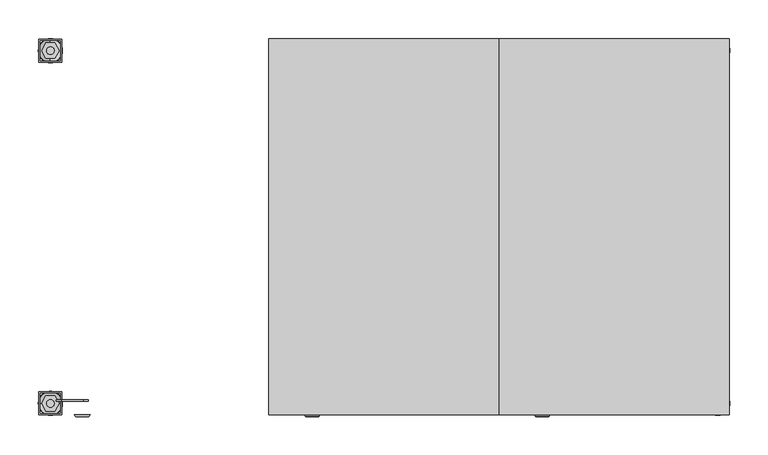
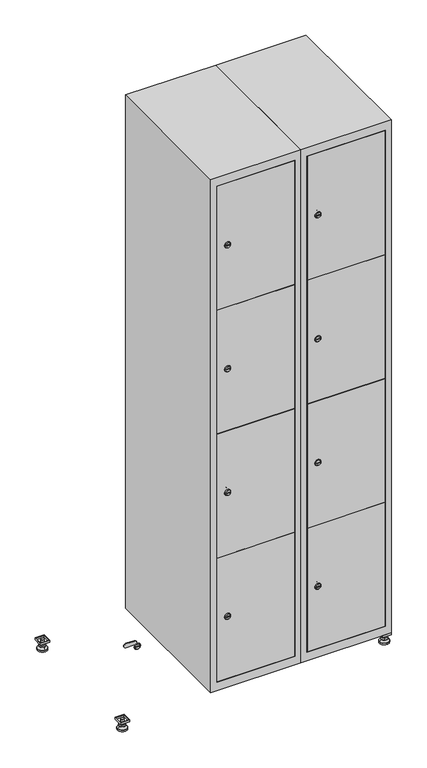
"""IFC4 building model written with IfcOpenShell, lengths in millimetres: furniture geometry."""

from ifc_helpers import new_model, si_unit, point, frame, frame_2d, origin, origin_with_axes, place, context, project, spatial, polyline, circle_curve, trimmed, segment, composite_curve, outline, extrude, faceted_brep, source, transform, mapped, element, save
from ifc_brep_helpers import plane_surface, revolved_surface, advanced_brep


def furniture_1b712670(model_context):
    return source(origin(), model_context, "Body", "SolidModel", [
        extrude(outline(polyline([(700.0, 245.0), (700.0, 215.0), (670.0, 215.0), (670.0, 245.0), (700.0, 245.0)]), holes=[polyline([(698.0, 243.0), (672.0, 243.0), (672.0, 217.0), (698.0, 217.0), (698.0, 243.0)])]), frame((0.0, 0.0, 28.5), z_axis=(0.0, 0.0, 1.0), x_axis=(1.0, 0.0, 0.0)), (0.0, 0.0, 1.0), 6.5),
        extrude(outline(polyline([(670.0, -245.0), (670.0, -215.0), (700.0, -215.0), (700.0, -245.0), (670.0, -245.0)]), holes=[polyline([(672.0, -243.0), (698.0, -243.0), (698.0, -217.0), (672.0, -217.0), (672.0, -243.0)])]), frame((0.0, 0.0, 28.5), z_axis=(0.0, 0.0, 1.0), x_axis=(1.0, 0.0, 0.0)), (0.0, 0.0, 1.0), 6.5),
        extrude(outline(polyline([(-170.0, 245.0), (-170.0, 215.0), (-200.0, 215.0), (-200.0, 245.0), (-170.0, 245.0)]), holes=[polyline([(-172.0, 243.0), (-198.0, 243.0), (-198.0, 217.0), (-172.0, 217.0), (-172.0, 243.0)])]), frame((0.0, 0.0, 28.5), z_axis=(0.0, 0.0, 1.0), x_axis=(1.0, 0.0, 0.0)), (0.0, 0.0, 1.0), 6.5),
        extrude(outline(polyline([(-170.0, -215.0), (-170.0, -245.0), (-200.0, -245.0), (-200.0, -215.0), (-170.0, -215.0)]), holes=[polyline([(-198.0, -243.0), (-172.0, -243.0), (-172.0, -217.0), (-198.0, -217.0), (-198.0, -243.0)])]), frame((0.0, 0.0, 28.5), z_axis=(0.0, 0.0, 1.0), x_axis=(1.0, 0.0, 0.0)), (0.0, 0.0, 1.0), 6.5),
        extrude(outline(composite_curve([segment(trimmed(circle_curve(frame_2d((-185.0, 230.0)), 5.0), [point((-180.0, 230.0))], [point((-190.0, 230.0))], False, "CARTESIAN"), True, "CONTINUOUS"), segment(trimmed(circle_curve(frame_2d((-185.0, 230.0)), 5.0), [point((-190.0, 230.0))], [point((-180.0, 230.0))], False, "CARTESIAN"), True, "CONTINUOUS")], self_intersect=False)), frame((0.0, 0.0, 19.6), z_axis=(0.0, 0.0, 1.0), x_axis=(1.0, 0.0, 0.0)), (0.0, 0.0, 1.0), 15.4),
        extrude(outline(composite_curve([segment(trimmed(circle_curve(frame_2d((-185.0, -230.0)), 5.0), [point((-180.0, -230.0))], [point((-190.0, -230.0))], False, "CARTESIAN"), True, "CONTINUOUS"), segment(trimmed(circle_curve(frame_2d((-185.0, -230.0)), 5.0), [point((-190.0, -230.0))], [point((-180.0, -230.0))], False, "CARTESIAN"), True, "CONTINUOUS")], self_intersect=False)), frame((0.0, 0.0, 19.6), z_axis=(0.0, 0.0, 1.0), x_axis=(1.0, 0.0, 0.0)), (0.0, 0.0, 1.0), 15.4),
        extrude(outline(composite_curve([segment(trimmed(circle_curve(frame_2d((685.0, 230.0)), 5.0), [point((690.0, 230.0))], [point((680.0, 230.0))], False, "CARTESIAN"), True, "CONTINUOUS"), segment(trimmed(circle_curve(frame_2d((685.0, 230.0)), 5.0), [point((680.0, 230.0))], [point((690.0, 230.0))], False, "CARTESIAN"), True, "CONTINUOUS")], self_intersect=False)), frame((0.0, 0.0, 19.6), z_axis=(0.0, 0.0, 1.0), x_axis=(1.0, 0.0, 0.0)), (0.0, 0.0, 1.0), 15.4),
        extrude(outline(polyline([(673.4529946, 230.0), (679.2264973, 240.0), (690.7735027, 240.0), (696.5470054, 230.0), (690.7735027, 220.0), (679.2264973, 220.0), (673.4529946, 230.0)])), frame((0.0, 0.0, 13.6), z_axis=(0.0, 0.0, 1.0), x_axis=(1.0, 0.0, 0.0)), (0.0, 0.0, 1.0), 6.0),
        extrude(outline(composite_curve([segment(trimmed(circle_curve(frame_2d((685.0, -230.0)), 5.0), [point((690.0, -230.0))], [point((680.0, -230.0))], False, "CARTESIAN"), True, "CONTINUOUS"), segment(trimmed(circle_curve(frame_2d((685.0, -230.0)), 5.0), [point((680.0, -230.0))], [point((690.0, -230.0))], False, "CARTESIAN"), True, "CONTINUOUS")], self_intersect=False)), frame((0.0, 0.0, 19.6), z_axis=(0.0, 0.0, 1.0), x_axis=(1.0, 0.0, 0.0)), (0.0, 0.0, 1.0), 15.4),
        extrude(outline(polyline([(673.4529946, -230.0), (679.2264973, -220.0), (690.7735027, -220.0), (696.5470054, -230.0), (690.7735027, -240.0), (679.2264973, -240.0), (673.4529946, -230.0)])), frame((0.0, 0.0, 13.6), z_axis=(0.0, 0.0, 1.0), x_axis=(1.0, 0.0, 0.0)), (0.0, 0.0, 1.0), 6.0),
        extrude(outline(composite_curve([segment(trimmed(circle_curve(frame_2d((685.0, 230.0)), 5.0), [point((690.0, 230.0))], [point((680.0, 230.0))], False, "CARTESIAN"), True, "CONTINUOUS"), segment(trimmed(circle_curve(frame_2d((685.0, 230.0)), 5.0), [point((680.0, 230.0))], [point((690.0, 230.0))], False, "CARTESIAN"), True, "CONTINUOUS")], self_intersect=False)), frame((0.0, 0.0, 12.1), z_axis=(0.0, 0.0, 1.0), x_axis=(1.0, 0.0, 0.0)), (0.0, 0.0, 1.0), 1.5),
        extrude(outline(composite_curve([segment(trimmed(circle_curve(frame_2d((685.0, -230.0)), 5.0), [point((690.0, -230.0))], [point((680.0, -230.0))], False, "CARTESIAN"), True, "CONTINUOUS"), segment(trimmed(circle_curve(frame_2d((685.0, -230.0)), 5.0), [point((680.0, -230.0))], [point((690.0, -230.0))], False, "CARTESIAN"), True, "CONTINUOUS")], self_intersect=False)), frame((0.0, 0.0, 12.1), z_axis=(0.0, 0.0, 1.0), x_axis=(1.0, 0.0, 0.0)), (0.0, 0.0, 1.0), 1.5),
        extrude(outline(polyline([(-196.5470054, 230.0), (-190.7735027, 240.0), (-179.2264973, 240.0), (-173.4529946, 230.0), (-179.2264973, 220.0), (-190.7735027, 220.0), (-196.5470054, 230.0)])), frame((0.0, 0.0, 13.6), z_axis=(0.0, 0.0, 1.0), x_axis=(1.0, 0.0, 0.0)), (0.0, 0.0, 1.0), 6.0),
        extrude(outline(polyline([(-196.5470054, -230.0), (-190.7735027, -220.0), (-179.2264973, -220.0), (-173.4529946, -230.0), (-179.2264973, -240.0), (-190.7735027, -240.0), (-196.5470054, -230.0)])), frame((0.0, 0.0, 13.6), z_axis=(0.0, 0.0, 1.0), x_axis=(1.0, 0.0, 0.0)), (0.0, 0.0, 1.0), 6.0),
        extrude(outline(composite_curve([segment(trimmed(circle_curve(frame_2d((-185.0, 230.0)), 5.0), [point((-185.0, 235.0))], [point((-185.0, 225.0))], False, "CARTESIAN"), True, "CONTINUOUS"), segment(trimmed(circle_curve(frame_2d((-185.0, 230.0)), 5.0), [point((-185.0, 225.0))], [point((-185.0, 235.0))], False, "CARTESIAN"), True, "CONTINUOUS")], self_intersect=False)), frame((0.0, 0.0, 12.1), z_axis=(0.0, 0.0, 1.0), x_axis=(1.0, 0.0, 0.0)), (0.0, 0.0, 1.0), 1.5),
        extrude(outline(composite_curve([segment(trimmed(circle_curve(frame_2d((-185.0, -230.0)), 5.0), [point((-180.0, -230.0))], [point((-190.0, -230.0))], False, "CARTESIAN"), True, "CONTINUOUS"), segment(trimmed(circle_curve(frame_2d((-185.0, -230.0)), 5.0), [point((-190.0, -230.0))], [point((-180.0, -230.0))], False, "CARTESIAN"), True, "CONTINUOUS")], self_intersect=False)), frame((0.0, 0.0, 12.1), z_axis=(0.0, 0.0, 1.0), x_axis=(1.0, 0.0, 0.0)), (0.0, 0.0, 1.0), 1.5),
        extrude(outline(composite_curve([segment(trimmed(circle_curve(frame_2d((685.0, 230.0)), 15.75), [point((700.75, 230.0))], [point((669.25, 230.0))], False, "CARTESIAN"), True, "CONTINUOUS"), segment(trimmed(circle_curve(frame_2d((685.0, 230.0)), 15.75), [point((669.25, 230.0))], [point((700.75, 230.0))], False, "CARTESIAN"), True, "CONTINUOUS")], self_intersect=False)), origin_with_axes(), (0.0, 0.0, 1.0), 5.1),
        extrude(outline(composite_curve([segment(trimmed(circle_curve(frame_2d((685.0, -230.0)), 15.75), [point((685.0, -214.25))], [point((685.0, -245.75))], False, "CARTESIAN"), True, "CONTINUOUS"), segment(trimmed(circle_curve(frame_2d((685.0, -230.0)), 15.75), [point((685.0, -245.75))], [point((685.0, -214.25))], False, "CARTESIAN"), True, "CONTINUOUS")], self_intersect=False)), origin_with_axes(), (0.0, 0.0, 1.0), 5.1),
        extrude(outline(composite_curve([segment(trimmed(circle_curve(frame_2d((-185.0, -230.0)), 15.75), [point((-169.25, -230.0))], [point((-200.75, -230.0))], False, "CARTESIAN"), True, "CONTINUOUS"), segment(trimmed(circle_curve(frame_2d((-185.0, -230.0)), 15.75), [point((-200.75, -230.0))], [point((-169.25, -230.0))], False, "CARTESIAN"), True, "CONTINUOUS")], self_intersect=False)), origin_with_axes(), (0.0, 0.0, 1.0), 5.1),
        extrude(outline(composite_curve([segment(trimmed(circle_curve(frame_2d((-185.0, 230.0)), 15.75), [point((-169.25, 230.0))], [point((-200.75, 230.0))], False, "CARTESIAN"), True, "CONTINUOUS"), segment(trimmed(circle_curve(frame_2d((-185.0, 230.0)), 15.75), [point((-200.75, 230.0))], [point((-169.25, 230.0))], False, "CARTESIAN"), True, "CONTINUOUS")], self_intersect=False)), origin_with_axes(), (0.0, 0.0, 1.0), 5.1),
        advanced_brep(
        [(-185.0, 245.75, 5.1), (-185.0, 214.25, 5.1), (-185.0, 239.5, 12.1), (-185.0, 220.5, 12.1)],
        [
            (0, 1, circle_curve(frame((-185.0, 230.0, 5.1), z_axis=(0.0, 0.0, -1.0), x_axis=(0.0, 1.0, 0.0)), 15.75)),
            (1, 0, circle_curve(frame((-185.0, 230.0, 5.1), z_axis=(0.0, 0.0, -1.0), x_axis=(0.0, -1.0, 0.0)), 15.75)),
            (2, 3, circle_curve(frame((-185.0, 230.0, 12.1), z_axis=(0.0, 0.0, 1.0), x_axis=(0.0, -1.0, 0.0)), 9.5)),
            (3, 2, circle_curve(frame((-185.0, 230.0, 12.1), z_axis=(0.0, 0.0, 1.0), x_axis=(0.0, 1.0, 0.0)), 9.5)),
            (3, 1),
            (0, 2),
        ],
        [
            plane_surface(frame((-185.0, 230.0, 5.1), z_axis=(0.0, 0.0, -1.0), x_axis=(1.0, 0.0, 0.0))),
            plane_surface(frame((-185.0, 230.0, 12.1), z_axis=(0.0, 0.0, 1.0), x_axis=(1.0, 0.0, 0.0))),
            revolved_surface(polyline([(-185.0, 220.5, 12.099999999999998), (-185.0, 214.25, 5.099999999999998)]), (-185.0, 230.0, 22.74), (0.0, 0.0, -1.0)),
            revolved_surface(polyline([(-185.0, 239.5, 12.099999999999998), (-185.0, 245.75, 5.099999999999998)]), (-185.0, 230.0, 22.74), (0.0, 0.0, -1.0)),
        ],
        [
            (0, [[1, 2]]),
            (1, [[3, 4]]),
            (2, [[-4, 5, -1, 6]]),
            (3, [[-3, -6, -2, -5]]),
        ],
    ),
        advanced_brep(
        [(685.0, 245.75, 5.1), (685.0, 214.25, 5.1), (685.0, 239.5, 12.1), (685.0, 220.5, 12.1)],
        [
            (0, 1, circle_curve(frame((685.0, 230.0, 5.1), z_axis=(0.0, 0.0, -1.0), x_axis=(0.0, 1.0, 0.0)), 15.75)),
            (1, 0, circle_curve(frame((685.0, 230.0, 5.1), z_axis=(0.0, 0.0, -1.0), x_axis=(0.0, -1.0, 0.0)), 15.75)),
            (2, 3, circle_curve(frame((685.0, 230.0, 12.1), z_axis=(0.0, 0.0, 1.0), x_axis=(0.0, -1.0, 0.0)), 9.5)),
            (3, 2, circle_curve(frame((685.0, 230.0, 12.1), z_axis=(0.0, 0.0, 1.0), x_axis=(0.0, 1.0, 0.0)), 9.5)),
            (3, 1),
            (0, 2),
        ],
        [
            plane_surface(frame((685.0, 230.0, 5.1), z_axis=(0.0, 0.0, -1.0), x_axis=(1.0, 0.0, 0.0))),
            plane_surface(frame((685.0, 230.0, 12.1), z_axis=(0.0, 0.0, 1.0), x_axis=(1.0, 0.0, 0.0))),
            revolved_surface(polyline([(685.0, 220.5, 12.099999999999998), (685.0, 214.25, 5.099999999999998)]), (685.0, 230.0, 22.74), (0.0, 0.0, -1.0)),
            revolved_surface(polyline([(685.0, 239.5, 12.099999999999998), (685.0, 245.75, 5.099999999999998)]), (685.0, 230.0, 22.74), (0.0, 0.0, -1.0)),
        ],
        [
            (0, [[1, 2]]),
            (1, [[3, 4]]),
            (2, [[-4, 5, -1, 6]]),
            (3, [[-3, -6, -2, -5]]),
        ],
    ),
        advanced_brep(
        [(694.5, -230.0, 12.1), (675.5, -230.0, 12.1), (700.75, -230.0, 5.1), (669.25, -230.0, 5.1)],
        [
            (0, 1, circle_curve(frame((685.0, -230.0, 12.1), z_axis=(0.0, 0.0, 1.0), x_axis=(1.0, 0.0, 0.0)), 9.5)),
            (1, 0, circle_curve(frame((685.0, -230.0, 12.1), z_axis=(0.0, 0.0, 1.0), x_axis=(-1.0, 0.0, 0.0)), 9.5)),
            (2, 3, circle_curve(frame((685.0, -230.0, 5.1), z_axis=(0.0, 0.0, -1.0), x_axis=(-1.0, 0.0, 0.0)), 15.75)),
            (3, 2, circle_curve(frame((685.0, -230.0, 5.1), z_axis=(0.0, 0.0, -1.0), x_axis=(1.0, 0.0, 0.0)), 15.75)),
            (3, 1),
            (0, 2),
        ],
        [
            plane_surface(frame((685.0, -230.0, 12.1), z_axis=(0.0, 0.0, 1.0), x_axis=(0.0, 1.0, 0.0))),
            plane_surface(frame((685.0, -230.0, 5.1), z_axis=(0.0, 0.0, -1.0), x_axis=(0.0, 1.0, 0.0))),
            revolved_surface(polyline([(694.5, -230.0, 12.099999999999998), (700.75, -230.0, 5.099999999999998)]), (685.0, -230.0, 22.74), (0.0, 0.0, -1.0)),
            revolved_surface(polyline([(675.5, -230.0, 12.099999999999998), (669.25, -230.0, 5.099999999999998)]), (685.0, -230.0, 22.74), (0.0, 0.0, -1.0)),
        ],
        [
            (0, [[1, 2]]),
            (1, [[3, 4]]),
            (2, [[-4, 5, -1, 6]]),
            (3, [[-3, -6, -2, -5]]),
        ],
    ),
        advanced_brep(
        [(-175.5, -230.0, 12.1), (-194.5, -230.0, 12.1), (-169.25, -230.0, 5.1), (-200.75, -230.0, 5.1)],
        [
            (0, 1, circle_curve(frame((-185.0, -230.0, 12.1), z_axis=(0.0, 0.0, 1.0), x_axis=(1.0, 0.0, 0.0)), 9.5)),
            (1, 0, circle_curve(frame((-185.0, -230.0, 12.1), z_axis=(0.0, 0.0, 1.0), x_axis=(-1.0, 0.0, 0.0)), 9.5)),
            (2, 3, circle_curve(frame((-185.0, -230.0, 5.1), z_axis=(0.0, 0.0, -1.0), x_axis=(-1.0, 0.0, 0.0)), 15.75)),
            (3, 2, circle_curve(frame((-185.0, -230.0, 5.1), z_axis=(0.0, 0.0, -1.0), x_axis=(1.0, 0.0, 0.0)), 15.75)),
            (3, 1),
            (0, 2),
        ],
        [
            plane_surface(frame((-185.0, -230.0, 12.1), z_axis=(0.0, 0.0, 1.0), x_axis=(0.0, 1.0, 0.0))),
            plane_surface(frame((-185.0, -230.0, 5.1), z_axis=(0.0, 0.0, -1.0), x_axis=(0.0, 1.0, 0.0))),
            revolved_surface(polyline([(-175.5, -230.0, 12.099999999999998), (-169.25, -230.0, 5.099999999999998)]), (-185.0, -230.0, 22.74), (0.0, 0.0, -1.0)),
            revolved_surface(polyline([(-194.5, -230.0, 12.099999999999998), (-200.75, -230.0, 5.099999999999998)]), (-185.0, -230.0, 22.74), (0.0, 0.0, -1.0)),
        ],
        [
            (0, [[1, 2]]),
            (1, [[3, 4]]),
            (2, [[-4, 5, -1, 6]]),
            (3, [[-3, -6, -2, -5]]),
        ],
    ),
        extrude(outline(composite_curve([segment(trimmed(circle_curve(frame_2d((283.4, 429.6010534)), 7.0), [point((290.4, 429.6010534))], [point((276.4, 429.6010534))], False, "CARTESIAN"), True, "CONTINUOUS"), segment(polyline([(276.4, 429.6010534), (276.4, 457.6010534)]), True, "CONTINUOUS"), segment(trimmed(circle_curve(frame_2d((283.4, 457.6010534)), 7.0), [point((276.4, 457.6010534))], [point((290.4, 457.6010534))], False, "CARTESIAN"), True, "CONTINUOUS"), segment(polyline([(290.4, 457.6010534), (290.4, 429.6010534)]), True, "CONTINUOUS")], self_intersect=False)), frame((0.0, -227.0, 0.0), z_axis=(0.0, 1.0, 0.0), x_axis=(0.0, 0.0, 1.0)), (0.0, 0.0, 1.0), 2.0),
        advanced_brep(
        [(464.9, -247.2, 283.4), (447.9, -247.2, 283.4), (451.4, -247.2, 282.15), (451.4, -247.2, 284.65), (461.4, -247.2, 284.65), (461.4, -247.2, 282.15), (466.9, -245.0, 283.4), (445.9, -245.0, 283.4), (451.4, -245.0, 284.65), (451.4, -245.0, 282.15), (461.4, -245.0, 282.15), (461.4, -245.0, 284.65)],
        [
            (0, 1, circle_curve(frame((456.4, -247.2, 283.4), z_axis=(0.0, -1.0, 0.0), x_axis=(1.0, 0.0, 0.0)), 8.5)),
            (1, 0, circle_curve(frame((456.4, -247.2, 283.4), z_axis=(0.0, -1.0, 0.0), x_axis=(-1.0, 0.0, 0.0)), 8.5)),
            (2, 3),
            (3, 4),
            (4, 5),
            (5, 2),
            (6, 7, circle_curve(frame((456.4, -245.0, 283.4), z_axis=(0.0, 1.0, 0.0), x_axis=(-1.0, 0.0, 0.0)), 10.5)),
            (7, 6, circle_curve(frame((456.4, -245.0, 283.4), z_axis=(0.0, 1.0, 0.0), x_axis=(1.0, 0.0, 0.0)), 10.5)),
            (8, 9),
            (9, 10),
            (10, 11),
            (11, 8),
            (0, 6),
            (7, 1),
            (8, 3),
            (2, 9),
            (11, 4),
            (10, 5),
        ],
        [
            plane_surface(frame((456.4, -247.2, 283.4), z_axis=(0.0, -1.0, 0.0), x_axis=(0.0, 0.0, 1.0))),
            plane_surface(frame((456.4, -245.0, 283.4), z_axis=(0.0, 1.0, 0.0), x_axis=(0.0, 0.0, 1.0))),
            revolved_surface(polyline([(464.9, -247.2, 283.4), (466.9, -245.0, 283.4)]), (456.4, -256.55, 283.4), (0.0, 1.0, 0.0)),
            revolved_surface(polyline([(447.9, -247.2, 283.4), (445.9, -245.0, 283.4)]), (456.4, -256.55, 283.4), (0.0, 1.0, 0.0)),
            plane_surface(frame((451.4, -245.0, 282.15), z_axis=(1.0, 0.0, 0.0), x_axis=(0.0, -1.0, 0.0))),
            plane_surface(frame((451.4, -245.0, 284.65), z_axis=(0.0, 0.0, -1.0), x_axis=(0.0, -1.0, 0.0))),
            plane_surface(frame((461.4, -245.0, 284.65), z_axis=(-1.0, 0.0, 0.0), x_axis=(0.0, -1.0, 0.0))),
            plane_surface(frame((461.4, -245.0, 282.15), z_axis=(0.0, 0.0, 1.0), x_axis=(0.0, -1.0, 0.0))),
        ],
        [
            (0, [[1, 2], [3, 4, 5, 6]]),
            (1, [[7, 8], [9, 10, 11, 12]]),
            (2, [[-1, 13, -8, 14]]),
            (3, [[-2, -14, -7, -13]]),
            (4, [[15, -3, 16, -9]]),
            (5, [[-15, -12, 17, -4]]),
            (6, [[-17, -11, 18, -5]]),
            (7, [[-16, -6, -18, -10]]),
        ],
    ),
        extrude(outline(composite_curve([segment(trimmed(circle_curve(frame_2d((717.8, 429.6010534)), 7.0), [point((724.8, 429.6010534))], [point((710.8, 429.6010534))], False, "CARTESIAN"), True, "CONTINUOUS"), segment(polyline([(710.8, 429.6010534), (710.8, 457.6010534)]), True, "CONTINUOUS"), segment(trimmed(circle_curve(frame_2d((717.8, 457.6010534)), 7.0), [point((710.8, 457.6010534))], [point((724.8, 457.6010534))], False, "CARTESIAN"), True, "CONTINUOUS"), segment(polyline([(724.8, 457.6010534), (724.8, 429.6010534)]), True, "CONTINUOUS")], self_intersect=False)), frame((0.0, -227.0, 0.0), z_axis=(0.0, 1.0, 0.0), x_axis=(0.0, 0.0, 1.0)), (0.0, 0.0, 1.0), 2.0),
        advanced_brep(
        [(464.9, -247.2, 717.8), (447.9, -247.2, 717.8), (451.4, -247.2, 716.55), (451.4, -247.2, 719.05), (461.4, -247.2, 719.05), (461.4, -247.2, 716.55), (466.9, -245.0, 717.8), (445.9, -245.0, 717.8), (451.4, -245.0, 719.05), (451.4, -245.0, 716.55), (461.4, -245.0, 716.55), (461.4, -245.0, 719.05)],
        [
            (0, 1, circle_curve(frame((456.4, -247.2, 717.8), z_axis=(0.0, -1.0, 0.0), x_axis=(1.0, 0.0, 0.0)), 8.5)),
            (1, 0, circle_curve(frame((456.4, -247.2, 717.8), z_axis=(0.0, -1.0, 0.0), x_axis=(-1.0, 0.0, 0.0)), 8.5)),
            (2, 3),
            (3, 4),
            (4, 5),
            (5, 2),
            (6, 7, circle_curve(frame((456.4, -245.0, 717.8), z_axis=(0.0, 1.0, 0.0), x_axis=(-1.0, 0.0, 0.0)), 10.5)),
            (7, 6, circle_curve(frame((456.4, -245.0, 717.8), z_axis=(0.0, 1.0, 0.0), x_axis=(1.0, 0.0, 0.0)), 10.5)),
            (8, 9),
            (9, 10),
            (10, 11),
            (11, 8),
            (0, 6),
            (7, 1),
            (8, 3),
            (2, 9),
            (11, 4),
            (10, 5),
        ],
        [
            plane_surface(frame((456.4, -247.2, 717.8), z_axis=(0.0, -1.0, 0.0), x_axis=(0.0, 0.0, 1.0))),
            plane_surface(frame((456.4, -245.0, 717.8), z_axis=(0.0, 1.0, 0.0), x_axis=(0.0, 0.0, 1.0))),
            revolved_surface(polyline([(464.9, -247.2, 717.8), (466.9, -245.0, 717.8)]), (456.4, -256.55, 717.8), (0.0, 1.0, 0.0)),
            revolved_surface(polyline([(447.9, -247.2, 717.8), (445.9, -245.0, 717.8)]), (456.4, -256.55, 717.8), (0.0, 1.0, 0.0)),
            plane_surface(frame((451.4, -245.0, 716.55), z_axis=(1.0, 0.0, 0.0), x_axis=(0.0, -1.0, 0.0))),
            plane_surface(frame((451.4, -245.0, 719.05), z_axis=(0.0, 0.0, -1.0), x_axis=(0.0, -1.0, 0.0))),
            plane_surface(frame((461.4, -245.0, 719.05), z_axis=(-1.0, 0.0, 0.0), x_axis=(0.0, -1.0, 0.0))),
            plane_surface(frame((461.4, -245.0, 716.55), z_axis=(0.0, 0.0, 1.0), x_axis=(0.0, -1.0, 0.0))),
        ],
        [
            (0, [[1, 2], [3, 4, 5, 6]]),
            (1, [[7, 8], [9, 10, 11, 12]]),
            (2, [[-1, 13, -8, 14]]),
            (3, [[-2, -14, -7, -13]]),
            (4, [[15, -3, 16, -9]]),
            (5, [[-15, -12, 17, -4]]),
            (6, [[-17, -11, 18, -5]]),
            (7, [[-16, -6, -18, -10]]),
        ],
    ),
        extrude(outline(composite_curve([segment(trimmed(circle_curve(frame_2d((1152.2, 429.6010534)), 7.0), [point((1159.2, 429.6010534))], [point((1145.2, 429.6010534))], False, "CARTESIAN"), True, "CONTINUOUS"), segment(polyline([(1145.2, 429.6010534), (1145.2, 457.6010534)]), True, "CONTINUOUS"), segment(trimmed(circle_curve(frame_2d((1152.2, 457.6010534)), 7.0), [point((1145.2, 457.6010534))], [point((1159.2, 457.6010534))], False, "CARTESIAN"), True, "CONTINUOUS"), segment(polyline([(1159.2, 457.6010534), (1159.2, 429.6010534)]), True, "CONTINUOUS")], self_intersect=False)), frame((0.0, -227.0, 0.0), z_axis=(0.0, 1.0, 0.0), x_axis=(0.0, 0.0, 1.0)), (0.0, 0.0, 1.0), 2.0),
        advanced_brep(
        [(464.9, -247.2, 1152.2), (447.9, -247.2, 1152.2), (451.4, -247.2, 1150.95), (451.4, -247.2, 1153.45), (461.4, -247.2, 1153.45), (461.4, -247.2, 1150.95), (466.9, -245.0, 1152.2), (445.9, -245.0, 1152.2), (451.4, -245.0, 1153.45), (451.4, -245.0, 1150.95), (461.4, -245.0, 1150.95), (461.4, -245.0, 1153.45)],
        [
            (0, 1, circle_curve(frame((456.4, -247.2, 1152.2), z_axis=(0.0, -1.0, 0.0), x_axis=(1.0, 0.0, 0.0)), 8.5)),
            (1, 0, circle_curve(frame((456.4, -247.2, 1152.2), z_axis=(0.0, -1.0, 0.0), x_axis=(-1.0, 0.0, 0.0)), 8.5)),
            (2, 3),
            (3, 4),
            (4, 5),
            (5, 2),
            (6, 7, circle_curve(frame((456.4, -245.0, 1152.2), z_axis=(0.0, 1.0, 0.0), x_axis=(-1.0, 0.0, 0.0)), 10.5)),
            (7, 6, circle_curve(frame((456.4, -245.0, 1152.2), z_axis=(0.0, 1.0, 0.0), x_axis=(1.0, 0.0, 0.0)), 10.5)),
            (8, 9),
            (9, 10),
            (10, 11),
            (11, 8),
            (0, 6),
            (7, 1),
            (8, 3),
            (2, 9),
            (11, 4),
            (10, 5),
        ],
        [
            plane_surface(frame((456.4, -247.2, 1152.2), z_axis=(0.0, -1.0, 0.0), x_axis=(0.0, 0.0, 1.0))),
            plane_surface(frame((456.4, -245.0, 1152.2), z_axis=(0.0, 1.0, 0.0), x_axis=(0.0, 0.0, 1.0))),
            revolved_surface(polyline([(464.9, -247.2, 1152.2), (466.9, -245.0, 1152.2)]), (456.4, -256.55, 1152.2), (0.0, 1.0, 0.0)),
            revolved_surface(polyline([(447.9, -247.2, 1152.2), (445.9, -245.0, 1152.2)]), (456.4, -256.55, 1152.2), (0.0, 1.0, 0.0)),
            plane_surface(frame((451.4, -245.0, 1150.95), z_axis=(1.0, 0.0, 0.0), x_axis=(0.0, -1.0, 0.0))),
            plane_surface(frame((451.4, -245.0, 1153.45), z_axis=(0.0, 0.0, -1.0), x_axis=(0.0, -1.0, 0.0))),
            plane_surface(frame((461.4, -245.0, 1153.45), z_axis=(-1.0, 0.0, 0.0), x_axis=(0.0, -1.0, 0.0))),
            plane_surface(frame((461.4, -245.0, 1150.95), z_axis=(0.0, 0.0, 1.0), x_axis=(0.0, -1.0, 0.0))),
        ],
        [
            (0, [[1, 2], [3, 4, 5, 6]]),
            (1, [[7, 8], [9, 10, 11, 12]]),
            (2, [[-1, 13, -8, 14]]),
            (3, [[-2, -14, -7, -13]]),
            (4, [[15, -3, 16, -9]]),
            (5, [[-15, -12, 17, -4]]),
            (6, [[-17, -11, 18, -5]]),
            (7, [[-16, -6, -18, -10]]),
        ],
    ),
        extrude(outline(composite_curve([segment(trimmed(circle_curve(frame_2d((1586.6, 429.6010534)), 7.0), [point((1593.6, 429.6010534))], [point((1579.6, 429.6010534))], False, "CARTESIAN"), True, "CONTINUOUS"), segment(polyline([(1579.6, 429.6010534), (1579.6, 457.6010534)]), True, "CONTINUOUS"), segment(trimmed(circle_curve(frame_2d((1586.6, 457.6010534)), 7.0), [point((1579.6, 457.6010534))], [point((1593.6, 457.6010534))], False, "CARTESIAN"), True, "CONTINUOUS"), segment(polyline([(1593.6, 457.6010534), (1593.6, 429.6010534)]), True, "CONTINUOUS")], self_intersect=False)), frame((0.0, -227.0, 0.0), z_axis=(0.0, 1.0, 0.0), x_axis=(0.0, 0.0, 1.0)), (0.0, 0.0, 1.0), 2.0),
        advanced_brep(
        [(464.9, -247.2, 1586.6), (447.9, -247.2, 1586.6), (451.4, -247.2, 1585.35), (451.4, -247.2, 1587.85), (461.4, -247.2, 1587.85), (461.4, -247.2, 1585.35), (466.9, -245.0, 1586.6), (445.9, -245.0, 1586.6), (451.4, -245.0, 1587.85), (451.4, -245.0, 1585.35), (461.4, -245.0, 1585.35), (461.4, -245.0, 1587.85)],
        [
            (0, 1, circle_curve(frame((456.4, -247.2, 1586.6), z_axis=(0.0, -1.0, 0.0), x_axis=(1.0, 0.0, 0.0)), 8.5)),
            (1, 0, circle_curve(frame((456.4, -247.2, 1586.6), z_axis=(0.0, -1.0, 0.0), x_axis=(-1.0, 0.0, 0.0)), 8.5)),
            (2, 3),
            (3, 4),
            (4, 5),
            (5, 2),
            (6, 7, circle_curve(frame((456.4, -245.0, 1586.6), z_axis=(0.0, 1.0, 0.0), x_axis=(-1.0, 0.0, 0.0)), 10.5)),
            (7, 6, circle_curve(frame((456.4, -245.0, 1586.6), z_axis=(0.0, 1.0, 0.0), x_axis=(1.0, 0.0, 0.0)), 10.5)),
            (8, 9),
            (9, 10),
            (10, 11),
            (11, 8),
            (0, 6),
            (7, 1),
            (8, 3),
            (2, 9),
            (11, 4),
            (10, 5),
        ],
        [
            plane_surface(frame((456.4, -247.2, 1586.6), z_axis=(0.0, -1.0, 0.0), x_axis=(0.0, 0.0, 1.0))),
            plane_surface(frame((456.4, -245.0, 1586.6), z_axis=(0.0, 1.0, 0.0), x_axis=(0.0, 0.0, 1.0))),
            revolved_surface(polyline([(464.9, -247.2, 1586.6), (466.9, -245.0, 1586.6)]), (456.4, -256.55, 1586.6), (0.0, 1.0, 0.0)),
            revolved_surface(polyline([(447.9, -247.2, 1586.6), (445.9, -245.0, 1586.6)]), (456.4, -256.55, 1586.6), (0.0, 1.0, 0.0)),
            plane_surface(frame((451.4, -245.0, 1585.35), z_axis=(1.0, 0.0, 0.0), x_axis=(0.0, -1.0, 0.0))),
            plane_surface(frame((451.4, -245.0, 1587.85), z_axis=(0.0, 0.0, -1.0), x_axis=(0.0, -1.0, 0.0))),
            plane_surface(frame((461.4, -245.0, 1587.85), z_axis=(-1.0, 0.0, 0.0), x_axis=(0.0, -1.0, 0.0))),
            plane_surface(frame((461.4, -245.0, 1585.35), z_axis=(0.0, 0.0, 1.0), x_axis=(0.0, -1.0, 0.0))),
        ],
        [
            (0, [[1, 2], [3, 4, 5, 6]]),
            (1, [[7, 8], [9, 10, 11, 12]]),
            (2, [[-1, 13, -8, 14]]),
            (3, [[-2, -14, -7, -13]]),
            (4, [[15, -3, 16, -9]]),
            (5, [[-15, -12, 17, -4]]),
            (6, [[-17, -11, 18, -5]]),
            (7, [[-16, -6, -18, -10]]),
        ],
    ),
        extrude(outline(polyline([(678.6, -227.0), (678.6, -245.0), (421.4, -245.0), (421.4, -227.0), (678.6, -227.0)])), frame((0.0, 0.0, 500.1), z_axis=(0.0, 0.0, 1.0), x_axis=(1.0, 0.0, 0.0)), (0.0, 0.0, 1.0), 434.4),
        extrude(outline(polyline([(678.6, -227.0), (678.6, -245.0), (421.4, -245.0), (421.4, -227.0), (678.6, -227.0)])), frame((0.0, 0.0, 935.5), z_axis=(0.0, 0.0, 1.0), x_axis=(1.0, 0.0, 0.0)), (0.0, 0.0, 1.0), 433.4),
        extrude(outline(polyline([(421.4, -245.0), (421.4, -227.0), (678.6, -227.0), (678.6, -245.0), (421.4, -245.0)])), frame((0.0, 0.0, 1369.9), z_axis=(0.0, 0.0, 1.0), x_axis=(1.0, 0.0, 0.0)), (0.0, 0.0, 1.0), 433.9),
        extrude(outline(polyline([(678.6, -227.0), (678.6, -245.0), (421.4, -245.0), (421.4, -227.0), (678.6, -227.0)])), frame((0.0, 0.0, 66.2), z_axis=(0.0, 0.0, 1.0), x_axis=(1.0, 0.0, 0.0)), (0.0, 0.0, 1.0), 434.9),
        extrude(outline(polyline([(679.6, 242.0), (679.6, -227.0), (420.4, -227.0), (420.4, 242.0), (679.6, 242.0)])), frame((0.0, 0.0, 1359.7), z_axis=(0.0, 0.0, 1.0), x_axis=(1.0, 0.0, 0.0)), (0.0, 0.0, 1.0), 20.4),
        extrude(outline(polyline([(679.6, 242.0), (679.6, -227.0), (420.4, -227.0), (420.4, 242.0), (679.6, 242.0)])), frame((0.0, 0.0, 924.8), z_axis=(0.0, 0.0, 1.0), x_axis=(1.0, 0.0, 0.0)), (0.0, 0.0, 1.0), 20.4),
        extrude(outline(polyline([(679.6, 242.0), (679.6, -227.0), (420.4, -227.0), (420.4, 242.0), (679.6, 242.0)])), frame((0.0, 0.0, 489.9), z_axis=(0.0, 0.0, 1.0), x_axis=(1.0, 0.0, 0.0)), (0.0, 0.0, 1.0), 20.4),
        faceted_brep([(700.0, -245.0, 35.0), (700.0, -245.0, 1835.0), (400.0, -245.0, 1835.0), (400.0, -245.0, 35.0), (679.6, -245.0, 1804.8), (679.6, -245.0, 65.2), (420.4, -245.0, 65.2), (420.4, -245.0, 1804.8), (700.0, 245.0, 35.0), (400.0, 245.0, 35.0), (700.0, 245.0, 1835.0), (400.0, 245.0, 1835.0), (679.6, 242.0, 1804.8), (679.6, 242.0, 65.2), (400.0, 245.0, 1804.8), (420.4, 242.0, 1804.8), (420.4, 242.0, 65.2)], [[[0, 1, 2, 3], [4, 5, 6, 7]], [[8, 0, 3, 9]], [[1, 0, 8, 10]], [[1, 10, 11, 2]], [[4, 12, 13, 5]], [[9, 3, 2, 11, 14]], [[10, 8, 9, 14, 11]], [[12, 15, 16, 13]], [[15, 7, 6, 16]], [[4, 7, 15, 12]], [[6, 5, 13, 16]]]),
        extrude(outline(composite_curve([segment(trimmed(circle_curve(frame_2d((283.4, 129.6010534)), 7.0), [point((290.4, 129.6010534))], [point((276.4, 129.6010534))], False, "CARTESIAN"), True, "CONTINUOUS"), segment(polyline([(276.4, 129.6010534), (276.4, 157.6010534)]), True, "CONTINUOUS"), segment(trimmed(circle_curve(frame_2d((283.4, 157.6010534)), 7.0), [point((276.4, 157.6010534))], [point((290.4, 157.6010534))], False, "CARTESIAN"), True, "CONTINUOUS"), segment(polyline([(290.4, 157.6010534), (290.4, 129.6010534)]), True, "CONTINUOUS")], self_intersect=False)), frame((0.0, -227.0, 0.0), z_axis=(0.0, 1.0, 0.0), x_axis=(0.0, 0.0, 1.0)), (0.0, 0.0, 1.0), 2.0),
        advanced_brep(
        [(164.9, -247.2, 283.4), (147.9, -247.2, 283.4), (151.4, -247.2, 282.15), (151.4, -247.2, 284.65), (161.4, -247.2, 284.65), (161.4, -247.2, 282.15), (166.9, -245.0, 283.4), (145.9, -245.0, 283.4), (151.4, -245.0, 284.65), (151.4, -245.0, 282.15), (161.4, -245.0, 282.15), (161.4, -245.0, 284.65)],
        [
            (0, 1, circle_curve(frame((156.4, -247.2, 283.4), z_axis=(0.0, -1.0, 0.0), x_axis=(1.0, 0.0, 0.0)), 8.5)),
            (1, 0, circle_curve(frame((156.4, -247.2, 283.4), z_axis=(0.0, -1.0, 0.0), x_axis=(-1.0, 0.0, 0.0)), 8.5)),
            (2, 3),
            (3, 4),
            (4, 5),
            (5, 2),
            (6, 7, circle_curve(frame((156.4, -245.0, 283.4), z_axis=(0.0, 1.0, 0.0), x_axis=(-1.0, 0.0, 0.0)), 10.5)),
            (7, 6, circle_curve(frame((156.4, -245.0, 283.4), z_axis=(0.0, 1.0, 0.0), x_axis=(1.0, 0.0, 0.0)), 10.5)),
            (8, 9),
            (9, 10),
            (10, 11),
            (11, 8),
            (0, 6),
            (7, 1),
            (8, 3),
            (2, 9),
            (11, 4),
            (10, 5),
        ],
        [
            plane_surface(frame((156.4, -247.2, 283.4), z_axis=(0.0, -1.0, 0.0), x_axis=(0.0, 0.0, 1.0))),
            plane_surface(frame((156.4, -245.0, 283.4), z_axis=(0.0, 1.0, 0.0), x_axis=(0.0, 0.0, 1.0))),
            revolved_surface(polyline([(164.9, -247.2, 283.4), (166.9, -245.0, 283.4)]), (156.4, -256.55, 283.4), (0.0, 1.0, 0.0)),
            revolved_surface(polyline([(147.9, -247.2, 283.4), (145.9, -245.0, 283.4)]), (156.4, -256.55, 283.4), (0.0, 1.0, 0.0)),
            plane_surface(frame((151.4, -245.0, 282.15), z_axis=(1.0, 0.0, 0.0), x_axis=(0.0, -1.0, 0.0))),
            plane_surface(frame((151.4, -245.0, 284.65), z_axis=(0.0, 0.0, -1.0), x_axis=(0.0, -1.0, 0.0))),
            plane_surface(frame((161.4, -245.0, 284.65), z_axis=(-1.0, 0.0, 0.0), x_axis=(0.0, -1.0, 0.0))),
            plane_surface(frame((161.4, -245.0, 282.15), z_axis=(0.0, 0.0, 1.0), x_axis=(0.0, -1.0, 0.0))),
        ],
        [
            (0, [[1, 2], [3, 4, 5, 6]]),
            (1, [[7, 8], [9, 10, 11, 12]]),
            (2, [[-1, 13, -8, 14]]),
            (3, [[-2, -14, -7, -13]]),
            (4, [[15, -3, 16, -9]]),
            (5, [[-15, -12, 17, -4]]),
            (6, [[-17, -11, 18, -5]]),
            (7, [[-16, -6, -18, -10]]),
        ],
    ),
        extrude(outline(composite_curve([segment(trimmed(circle_curve(frame_2d((717.8, 129.6010534)), 7.0), [point((724.8, 129.6010534))], [point((710.8, 129.6010534))], False, "CARTESIAN"), True, "CONTINUOUS"), segment(polyline([(710.8, 129.6010534), (710.8, 157.6010534)]), True, "CONTINUOUS"), segment(trimmed(circle_curve(frame_2d((717.8, 157.6010534)), 7.0), [point((710.8, 157.6010534))], [point((724.8, 157.6010534))], False, "CARTESIAN"), True, "CONTINUOUS"), segment(polyline([(724.8, 157.6010534), (724.8, 129.6010534)]), True, "CONTINUOUS")], self_intersect=False)), frame((0.0, -227.0, 0.0), z_axis=(0.0, 1.0, 0.0), x_axis=(0.0, 0.0, 1.0)), (0.0, 0.0, 1.0), 2.0),
        advanced_brep(
        [(164.9, -247.2, 717.8), (147.9, -247.2, 717.8), (151.4, -247.2, 716.55), (151.4, -247.2, 719.05), (161.4, -247.2, 719.05), (161.4, -247.2, 716.55), (166.9, -245.0, 717.8), (145.9, -245.0, 717.8), (151.4, -245.0, 719.05), (151.4, -245.0, 716.55), (161.4, -245.0, 716.55), (161.4, -245.0, 719.05)],
        [
            (0, 1, circle_curve(frame((156.4, -247.2, 717.8), z_axis=(0.0, -1.0, 0.0), x_axis=(1.0, 0.0, 0.0)), 8.5)),
            (1, 0, circle_curve(frame((156.4, -247.2, 717.8), z_axis=(0.0, -1.0, 0.0), x_axis=(-1.0, 0.0, 0.0)), 8.5)),
            (2, 3),
            (3, 4),
            (4, 5),
            (5, 2),
            (6, 7, circle_curve(frame((156.4, -245.0, 717.8), z_axis=(0.0, 1.0, 0.0), x_axis=(-1.0, 0.0, 0.0)), 10.5)),
            (7, 6, circle_curve(frame((156.4, -245.0, 717.8), z_axis=(0.0, 1.0, 0.0), x_axis=(1.0, 0.0, 0.0)), 10.5)),
            (8, 9),
            (9, 10),
            (10, 11),
            (11, 8),
            (0, 6),
            (7, 1),
            (8, 3),
            (2, 9),
            (11, 4),
            (10, 5),
        ],
        [
            plane_surface(frame((156.4, -247.2, 717.8), z_axis=(0.0, -1.0, 0.0), x_axis=(0.0, 0.0, 1.0))),
            plane_surface(frame((156.4, -245.0, 717.8), z_axis=(0.0, 1.0, 0.0), x_axis=(0.0, 0.0, 1.0))),
            revolved_surface(polyline([(164.9, -247.2, 717.8), (166.9, -245.0, 717.8)]), (156.4, -256.55, 717.8), (0.0, 1.0, 0.0)),
            revolved_surface(polyline([(147.9, -247.2, 717.8), (145.9, -245.0, 717.8)]), (156.4, -256.55, 717.8), (0.0, 1.0, 0.0)),
            plane_surface(frame((151.4, -245.0, 716.55), z_axis=(1.0, 0.0, 0.0), x_axis=(0.0, -1.0, 0.0))),
            plane_surface(frame((151.4, -245.0, 719.05), z_axis=(0.0, 0.0, -1.0), x_axis=(0.0, -1.0, 0.0))),
            plane_surface(frame((161.4, -245.0, 719.05), z_axis=(-1.0, 0.0, 0.0), x_axis=(0.0, -1.0, 0.0))),
            plane_surface(frame((161.4, -245.0, 716.55), z_axis=(0.0, 0.0, 1.0), x_axis=(0.0, -1.0, 0.0))),
        ],
        [
            (0, [[1, 2], [3, 4, 5, 6]]),
            (1, [[7, 8], [9, 10, 11, 12]]),
            (2, [[-1, 13, -8, 14]]),
            (3, [[-2, -14, -7, -13]]),
            (4, [[15, -3, 16, -9]]),
            (5, [[-15, -12, 17, -4]]),
            (6, [[-17, -11, 18, -5]]),
            (7, [[-16, -6, -18, -10]]),
        ],
    ),
        extrude(outline(composite_curve([segment(trimmed(circle_curve(frame_2d((1152.2, 129.6010534)), 7.0), [point((1159.2, 129.6010534))], [point((1145.2, 129.6010534))], False, "CARTESIAN"), True, "CONTINUOUS"), segment(polyline([(1145.2, 129.6010534), (1145.2, 157.6010534)]), True, "CONTINUOUS"), segment(trimmed(circle_curve(frame_2d((1152.2, 157.6010534)), 7.0), [point((1145.2, 157.6010534))], [point((1159.2, 157.6010534))], False, "CARTESIAN"), True, "CONTINUOUS"), segment(polyline([(1159.2, 157.6010534), (1159.2, 129.6010534)]), True, "CONTINUOUS")], self_intersect=False)), frame((0.0, -227.0, 0.0), z_axis=(0.0, 1.0, 0.0), x_axis=(0.0, 0.0, 1.0)), (0.0, 0.0, 1.0), 2.0),
        advanced_brep(
        [(164.9, -247.2, 1152.2), (147.9, -247.2, 1152.2), (151.4, -247.2, 1150.95), (151.4, -247.2, 1153.45), (161.4, -247.2, 1153.45), (161.4, -247.2, 1150.95), (166.9, -245.0, 1152.2), (145.9, -245.0, 1152.2), (151.4, -245.0, 1153.45), (151.4, -245.0, 1150.95), (161.4, -245.0, 1150.95), (161.4, -245.0, 1153.45)],
        [
            (0, 1, circle_curve(frame((156.4, -247.2, 1152.2), z_axis=(0.0, -1.0, 0.0), x_axis=(1.0, 0.0, 0.0)), 8.5)),
            (1, 0, circle_curve(frame((156.4, -247.2, 1152.2), z_axis=(0.0, -1.0, 0.0), x_axis=(-1.0, 0.0, 0.0)), 8.5)),
            (2, 3),
            (3, 4),
            (4, 5),
            (5, 2),
            (6, 7, circle_curve(frame((156.4, -245.0, 1152.2), z_axis=(0.0, 1.0, 0.0), x_axis=(-1.0, 0.0, 0.0)), 10.5)),
            (7, 6, circle_curve(frame((156.4, -245.0, 1152.2), z_axis=(0.0, 1.0, 0.0), x_axis=(1.0, 0.0, 0.0)), 10.5)),
            (8, 9),
            (9, 10),
            (10, 11),
            (11, 8),
            (0, 6),
            (7, 1),
            (8, 3),
            (2, 9),
            (11, 4),
            (10, 5),
        ],
        [
            plane_surface(frame((156.4, -247.2, 1152.2), z_axis=(0.0, -1.0, 0.0), x_axis=(0.0, 0.0, 1.0))),
            plane_surface(frame((156.4, -245.0, 1152.2), z_axis=(0.0, 1.0, 0.0), x_axis=(0.0, 0.0, 1.0))),
            revolved_surface(polyline([(164.9, -247.2, 1152.2), (166.9, -245.0, 1152.2)]), (156.4, -256.55, 1152.2), (0.0, 1.0, 0.0)),
            revolved_surface(polyline([(147.9, -247.2, 1152.2), (145.9, -245.0, 1152.2)]), (156.4, -256.55, 1152.2), (0.0, 1.0, 0.0)),
            plane_surface(frame((151.4, -245.0, 1150.95), z_axis=(1.0, 0.0, 0.0), x_axis=(0.0, -1.0, 0.0))),
            plane_surface(frame((151.4, -245.0, 1153.45), z_axis=(0.0, 0.0, -1.0), x_axis=(0.0, -1.0, 0.0))),
            plane_surface(frame((161.4, -245.0, 1153.45), z_axis=(-1.0, 0.0, 0.0), x_axis=(0.0, -1.0, 0.0))),
            plane_surface(frame((161.4, -245.0, 1150.95), z_axis=(0.0, 0.0, 1.0), x_axis=(0.0, -1.0, 0.0))),
        ],
        [
            (0, [[1, 2], [3, 4, 5, 6]]),
            (1, [[7, 8], [9, 10, 11, 12]]),
            (2, [[-1, 13, -8, 14]]),
            (3, [[-2, -14, -7, -13]]),
            (4, [[15, -3, 16, -9]]),
            (5, [[-15, -12, 17, -4]]),
            (6, [[-17, -11, 18, -5]]),
            (7, [[-16, -6, -18, -10]]),
        ],
    ),
        extrude(outline(composite_curve([segment(trimmed(circle_curve(frame_2d((1586.6, 129.6010534)), 7.0), [point((1593.6, 129.6010534))], [point((1579.6, 129.6010534))], False, "CARTESIAN"), True, "CONTINUOUS"), segment(polyline([(1579.6, 129.6010534), (1579.6, 157.6010534)]), True, "CONTINUOUS"), segment(trimmed(circle_curve(frame_2d((1586.6, 157.6010534)), 7.0), [point((1579.6, 157.6010534))], [point((1593.6, 157.6010534))], False, "CARTESIAN"), True, "CONTINUOUS"), segment(polyline([(1593.6, 157.6010534), (1593.6, 129.6010534)]), True, "CONTINUOUS")], self_intersect=False)), frame((0.0, -227.0, 0.0), z_axis=(0.0, 1.0, 0.0), x_axis=(0.0, 0.0, 1.0)), (0.0, 0.0, 1.0), 2.0),
        advanced_brep(
        [(164.9, -247.2, 1586.6), (147.9, -247.2, 1586.6), (151.4, -247.2, 1585.35), (151.4, -247.2, 1587.85), (161.4, -247.2, 1587.85), (161.4, -247.2, 1585.35), (166.9, -245.0, 1586.6), (145.9, -245.0, 1586.6), (151.4, -245.0, 1587.85), (151.4, -245.0, 1585.35), (161.4, -245.0, 1585.35), (161.4, -245.0, 1587.85)],
        [
            (0, 1, circle_curve(frame((156.4, -247.2, 1586.6), z_axis=(0.0, -1.0, 0.0), x_axis=(1.0, 0.0, 0.0)), 8.5)),
            (1, 0, circle_curve(frame((156.4, -247.2, 1586.6), z_axis=(0.0, -1.0, 0.0), x_axis=(-1.0, 0.0, 0.0)), 8.5)),
            (2, 3),
            (3, 4),
            (4, 5),
            (5, 2),
            (6, 7, circle_curve(frame((156.4, -245.0, 1586.6), z_axis=(0.0, 1.0, 0.0), x_axis=(-1.0, 0.0, 0.0)), 10.5)),
            (7, 6, circle_curve(frame((156.4, -245.0, 1586.6), z_axis=(0.0, 1.0, 0.0), x_axis=(1.0, 0.0, 0.0)), 10.5)),
            (8, 9),
            (9, 10),
            (10, 11),
            (11, 8),
            (0, 6),
            (7, 1),
            (8, 3),
            (2, 9),
            (11, 4),
            (10, 5),
        ],
        [
            plane_surface(frame((156.4, -247.2, 1586.6), z_axis=(0.0, -1.0, 0.0), x_axis=(0.0, 0.0, 1.0))),
            plane_surface(frame((156.4, -245.0, 1586.6), z_axis=(0.0, 1.0, 0.0), x_axis=(0.0, 0.0, 1.0))),
            revolved_surface(polyline([(164.9, -247.2, 1586.6), (166.9, -245.0, 1586.6)]), (156.4, -256.55, 1586.6), (0.0, 1.0, 0.0)),
            revolved_surface(polyline([(147.9, -247.2, 1586.6), (145.9, -245.0, 1586.6)]), (156.4, -256.55, 1586.6), (0.0, 1.0, 0.0)),
            plane_surface(frame((151.4, -245.0, 1585.35), z_axis=(1.0, 0.0, 0.0), x_axis=(0.0, -1.0, 0.0))),
            plane_surface(frame((151.4, -245.0, 1587.85), z_axis=(0.0, 0.0, -1.0), x_axis=(0.0, -1.0, 0.0))),
            plane_surface(frame((161.4, -245.0, 1587.85), z_axis=(-1.0, 0.0, 0.0), x_axis=(0.0, -1.0, 0.0))),
            plane_surface(frame((161.4, -245.0, 1585.35), z_axis=(0.0, 0.0, 1.0), x_axis=(0.0, -1.0, 0.0))),
        ],
        [
            (0, [[1, 2], [3, 4, 5, 6]]),
            (1, [[7, 8], [9, 10, 11, 12]]),
            (2, [[-1, 13, -8, 14]]),
            (3, [[-2, -14, -7, -13]]),
            (4, [[15, -3, 16, -9]]),
            (5, [[-15, -12, 17, -4]]),
            (6, [[-17, -11, 18, -5]]),
            (7, [[-16, -6, -18, -10]]),
        ],
    ),
        extrude(outline(polyline([(378.6, -227.0), (378.6, -245.0), (121.4, -245.0), (121.4, -227.0), (378.6, -227.0)])), frame((0.0, 0.0, 500.1), z_axis=(0.0, 0.0, 1.0), x_axis=(1.0, 0.0, 0.0)), (0.0, 0.0, 1.0), 434.4),
        extrude(outline(polyline([(378.6, -227.0), (378.6, -245.0), (121.4, -245.0), (121.4, -227.0), (378.6, -227.0)])), frame((0.0, 0.0, 935.5), z_axis=(0.0, 0.0, 1.0), x_axis=(1.0, 0.0, 0.0)), (0.0, 0.0, 1.0), 433.4),
        extrude(outline(polyline([(121.4, -245.0), (121.4, -227.0), (378.6, -227.0), (378.6, -245.0), (121.4, -245.0)])), frame((0.0, 0.0, 1369.9), z_axis=(0.0, 0.0, 1.0), x_axis=(1.0, 0.0, 0.0)), (0.0, 0.0, 1.0), 433.9),
        extrude(outline(polyline([(378.6, -227.0), (378.6, -245.0), (121.4, -245.0), (121.4, -227.0), (378.6, -227.0)])), frame((0.0, 0.0, 66.2), z_axis=(0.0, 0.0, 1.0), x_axis=(1.0, 0.0, 0.0)), (0.0, 0.0, 1.0), 434.9),
        extrude(outline(polyline([(379.6, 242.0), (379.6, -227.0), (120.4, -227.0), (120.4, 242.0), (379.6, 242.0)])), frame((0.0, 0.0, 1359.7), z_axis=(0.0, 0.0, 1.0), x_axis=(1.0, 0.0, 0.0)), (0.0, 0.0, 1.0), 20.4),
        extrude(outline(polyline([(379.6, 242.0), (379.6, -227.0), (120.4, -227.0), (120.4, 242.0), (379.6, 242.0)])), frame((0.0, 0.0, 924.8), z_axis=(0.0, 0.0, 1.0), x_axis=(1.0, 0.0, 0.0)), (0.0, 0.0, 1.0), 20.4),
        extrude(outline(polyline([(379.6, 242.0), (379.6, -227.0), (120.4, -227.0), (120.4, 242.0), (379.6, 242.0)])), frame((0.0, 0.0, 489.9), z_axis=(0.0, 0.0, 1.0), x_axis=(1.0, 0.0, 0.0)), (0.0, 0.0, 1.0), 20.4),
        faceted_brep([(400.0, -245.0, 35.0), (400.0, -245.0, 1835.0), (100.0, -245.0, 1835.0), (100.0, -245.0, 35.0), (379.6, -245.0, 1804.8), (379.6, -245.0, 65.2), (120.4, -245.0, 65.2), (120.4, -245.0, 1804.8), (400.0, 245.0, 35.0), (100.0, 245.0, 35.0), (400.0, 245.0, 1835.0), (100.0, 245.0, 1835.0), (379.6, 242.0, 1804.8), (379.6, 242.0, 65.2), (100.0, 245.0, 1804.8), (120.4, 242.0, 1804.8), (120.4, 242.0, 65.2)], [[[0, 1, 2, 3], [4, 5, 6, 7]], [[8, 0, 3, 9]], [[1, 0, 8, 10]], [[1, 10, 11, 2]], [[4, 12, 13, 5]], [[9, 3, 2, 11, 14]], [[10, 8, 9, 14, 11]], [[12, 15, 16, 13]], [[15, 7, 6, 16]], [[4, 7, 15, 12]], [[6, 5, 13, 16]]]),
        extrude(outline(composite_curve([segment(trimmed(circle_curve(frame_2d((283.4, -170.3989466)), 7.0), [point((290.4, -170.3989466))], [point((276.4, -170.3989466))], False, "CARTESIAN"), True, "CONTINUOUS"), segment(polyline([(276.4, -170.3989466), (276.4, -142.3989466)]), True, "CONTINUOUS"), segment(trimmed(circle_curve(frame_2d((283.4, -142.3989466)), 7.0), [point((276.4, -142.3989466))], [point((290.4, -142.3989466))], False, "CARTESIAN"), True, "CONTINUOUS"), segment(polyline([(290.4, -142.3989466), (290.4, -170.3989466)]), True, "CONTINUOUS")], self_intersect=False)), frame((0.0, -227.0, 0.0), z_axis=(0.0, 1.0, 0.0), x_axis=(0.0, 0.0, 1.0)), (0.0, 0.0, 1.0), 2.0),
        advanced_brep(
        [(-135.1, -247.2, 283.4), (-152.1, -247.2, 283.4), (-148.6, -247.2, 282.15), (-148.6, -247.2, 284.65), (-138.6, -247.2, 284.65), (-138.6, -247.2, 282.15), (-133.1, -245.0, 283.4), (-154.1, -245.0, 283.4), (-148.6, -245.0, 284.65), (-148.6, -245.0, 282.15), (-138.6, -245.0, 282.15), (-138.6, -245.0, 284.65)],
        [
            (0, 1, circle_curve(frame((-143.6, -247.2, 283.4), z_axis=(0.0, -1.0, 0.0), x_axis=(1.0, 0.0, 0.0)), 8.5)),
            (1, 0, circle_curve(frame((-143.6, -247.2, 283.4), z_axis=(0.0, -1.0, 0.0), x_axis=(-1.0, 0.0, 0.0)), 8.5)),
            (2, 3),
            (3, 4),
            (4, 5),
            (5, 2),
            (6, 7, circle_curve(frame((-143.6, -245.0, 283.4), z_axis=(0.0, 1.0, 0.0), x_axis=(-1.0, 0.0, 0.0)), 10.5)),
            (7, 6, circle_curve(frame((-143.6, -245.0, 283.4), z_axis=(0.0, 1.0, 0.0), x_axis=(1.0, 0.0, 0.0)), 10.5)),
            (8, 9),
            (9, 10),
            (10, 11),
            (11, 8),
            (0, 6),
            (7, 1),
            (8, 3),
            (2, 9),
            (11, 4),
            (10, 5),
        ],
        [
            plane_surface(frame((-143.6, -247.2, 283.4), z_axis=(0.0, -1.0, 0.0), x_axis=(0.0, 0.0, 1.0))),
            plane_surface(frame((-143.6, -245.0, 283.4), z_axis=(0.0, 1.0, 0.0), x_axis=(0.0, 0.0, 1.0))),
            revolved_surface(polyline([(-135.1, -247.2, 283.4), (-133.1, -245.0, 283.4)]), (-143.6, -256.55, 283.4), (0.0, 1.0, 0.0)),
            revolved_surface(polyline([(-152.1, -247.2, 283.4), (-154.1, -245.0, 283.4)]), (-143.6, -256.55, 283.4), (0.0, 1.0, 0.0)),
            plane_surface(frame((-148.6, -245.0, 282.15), z_axis=(1.0, 0.0, 0.0), x_axis=(0.0, -1.0, 0.0))),
            plane_surface(frame((-148.6, -245.0, 284.65), z_axis=(0.0, 0.0, -1.0), x_axis=(0.0, -1.0, 0.0))),
            plane_surface(frame((-138.6, -245.0, 284.65), z_axis=(-1.0, 0.0, 0.0), x_axis=(0.0, -1.0, 0.0))),
            plane_surface(frame((-138.6, -245.0, 282.15), z_axis=(0.0, 0.0, 1.0), x_axis=(0.0, -1.0, 0.0))),
        ],
        [
            (0, [[1, 2], [3, 4, 5, 6]]),
            (1, [[7, 8], [9, 10, 11, 12]]),
            (2, [[-1, 13, -8, 14]]),
            (3, [[-2, -14, -7, -13]]),
            (4, [[15, -3, 16, -9]]),
            (5, [[-15, -12, 17, -4]]),
            (6, [[-17, -11, 18, -5]]),
            (7, [[-16, -6, -18, -10]]),
        ],
    ),
    ])


if __name__ == "__main__":
    model = new_model("IFC4")
    model_context = context("Model", 3, world=origin())
    ifc_project = project(units=[si_unit("LENGTHUNIT", "METRE", prefix="MILLI")], contexts=[model_context])
    site = spatial("IfcSite", under=ifc_project)
    building = spatial("IfcBuilding", under=site)
    placement = place(None, origin())
    furniture_shape = furniture_1b712670(model_context)
    element("IfcFurniture", 1, at=placement, inside=building, context=model_context, shape_type="MappedRepresentation", body=[
        mapped(furniture_shape, transform((0.0, 0.0, 0.0), x_axis=(1.0, 0.0, 0.0), y_axis=(0.0, 1.0, 0.0), z_axis=(0.0, 0.0, 1.0))),
    ])
    save(model, "model.ifc")
